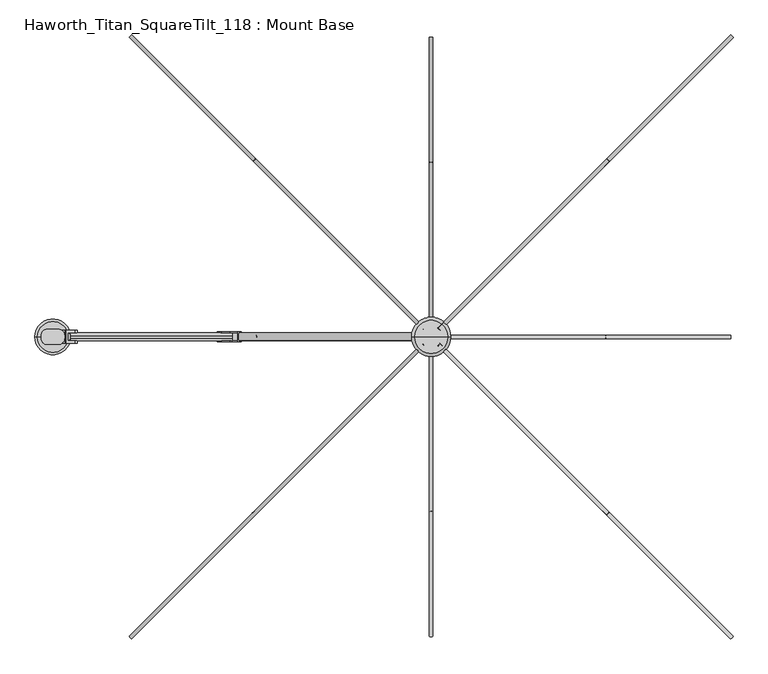
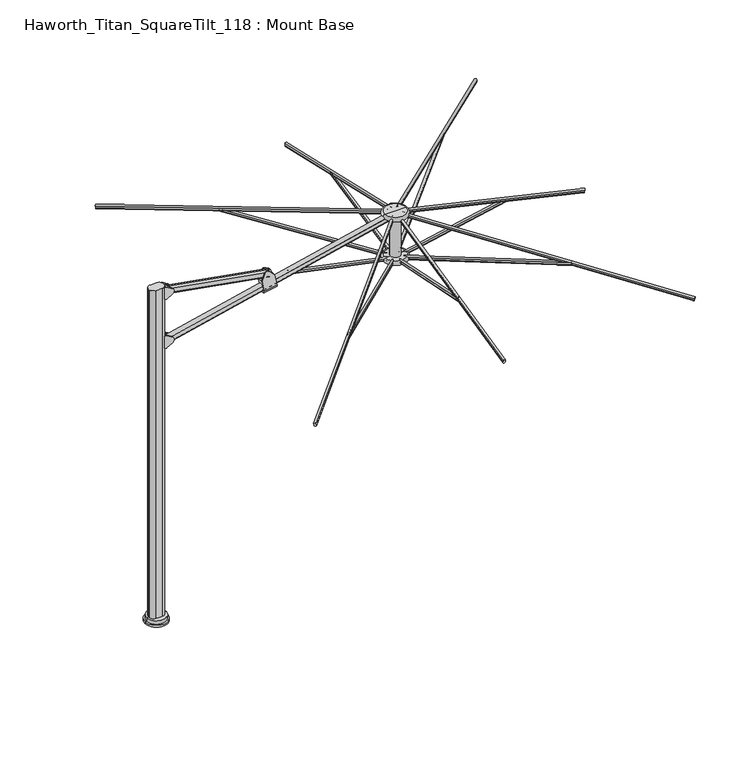
"""IFC4 building model written with IfcOpenShell, lengths in millimetres: furniture geometry, Haworth_Titan_SquareTilt_118 : Mount Base."""

from ifc_helpers import new_model, si_unit, point, frame, frame_2d, origin, place, context, project, spatial, polyline, circle_curve, ellipse_curve, trimmed, segment, composite_curve, outline, extrude, source, transform, mapped, element, save
from ifc_brep_helpers import plane_surface, cylinder_surface, revolved_surface, advanced_brep


def haworth_titan_squaretilt_118_mount_base_3c670f91(model_context):
    return source(origin(), model_context, "Body", "SolidModel", [
        extrude(outline(composite_curve([segment(polyline([(-1446.5300194, -42.1299408), (-1499.8699806, -42.1299408)]), True, "CONTINUOUS"), segment(trimmed(circle_curve(frame_2d((-1499.8699806, -10.3799408)), 31.75), [point((-1499.8699806, -42.1299408))], [point((-1531.6199806, -10.3799408))], False, "CARTESIAN"), True, "CONTINUOUS"), segment(polyline([(-1531.6199806, -10.3799408), (-1531.6199806, 2.3200592)]), True, "CONTINUOUS"), segment(trimmed(circle_curve(frame_2d((-1499.8699806, 2.3200592)), 31.75), [point((-1531.6199806, 2.3200592))], [point((-1499.8699806, 34.0700592))], False, "CARTESIAN"), True, "CONTINUOUS"), segment(polyline([(-1499.8699806, 34.0700592), (-1446.5300194, 34.0700592)]), True, "CONTINUOUS"), segment(trimmed(circle_curve(frame_2d((-1446.5300194, 2.3200592)), 31.75), [point((-1446.5300194, 34.0700592))], [point((-1414.7800194, 2.3200592))], False, "CARTESIAN"), True, "CONTINUOUS"), segment(polyline([(-1414.7800194, 2.3200592), (-1414.7800194, -10.3799408)]), True, "CONTINUOUS"), segment(trimmed(circle_curve(frame_2d((-1446.5300194, -10.3799408)), 31.75), [point((-1414.7800194, -10.3799408))], [point((-1446.5300194, -42.1299408))], False, "CARTESIAN"), True, "CONTINUOUS")], self_intersect=False)), frame((0.0, 0.0, 25.4), z_axis=(0.0, 0.0, 1.0), x_axis=(1.0, 0.0, 0.0)), (0.0, 0.0, 1.0), 2743.2),
        advanced_brep(
        [(-1562.1, -4.0299408, 15.8750008), (-1384.3, -4.0299408, 15.8750008), (-1384.3, -4.0299408, 0.0), (-1562.1, -4.0299408, 0.0), (-1549.4, -4.0299408, 15.8750008), (-1397.0, -4.0299408, 15.8750008), (-1549.4, -4.0299408, 43.8150008), (-1397.0, -4.0299408, 43.8150008), (-1473.2, -4.0299408, 43.8150008), (-1473.2, -4.0299408, 0.0)],
        [
            (0, 1, circle_curve(frame((-1473.2, -4.0299408, 15.8750008), z_axis=(0.0, 0.0, -1.0), x_axis=(1.0, 0.0, 0.0)), 88.9)),
            (1, 2),
            (2, 3, circle_curve(frame((-1473.2, -4.0299408, 0.0), z_axis=(0.0, 0.0, 1.0), x_axis=(1.0, 0.0, 0.0)), 88.9)),
            (3, 0),
            (1, 0, circle_curve(frame((-1473.2, -4.0299408, 15.8750008), z_axis=(0.0, 0.0, -1.0), x_axis=(1.0, 0.0, 0.0)), 88.9)),
            (3, 2, circle_curve(frame((-1473.2, -4.0299408, 0.0), z_axis=(0.0, 0.0, 1.0), x_axis=(1.0, 0.0, 0.0)), 88.9)),
            (4, 5, circle_curve(frame((-1473.2, -4.0299408, 15.8750008), z_axis=(0.0, 0.0, -1.0), x_axis=(1.0, 0.0, 0.0)), 76.2)),
            (5, 1),
            (0, 4),
            (5, 4, circle_curve(frame((-1473.2, -4.0299408, 15.8750008), z_axis=(0.0, 0.0, -1.0), x_axis=(1.0, 0.0, 0.0)), 76.2)),
            (6, 7, circle_curve(frame((-1473.2, -4.0299408, 43.8150008), z_axis=(0.0, 0.0, -1.0), x_axis=(1.0, 0.0, 0.0)), 76.2)),
            (7, 5),
            (4, 6),
            (7, 6, circle_curve(frame((-1473.2, -4.0299408, 43.8150008), z_axis=(0.0, 0.0, -1.0), x_axis=(1.0, 0.0, 0.0)), 76.2)),
            (8, 7),
            (6, 8),
            (2, 9),
            (9, 3),
        ],
        [
            cylinder_surface(frame((-1473.2, -4.0299408, 161.9250008), z_axis=(0.0, 0.0, 1.0), x_axis=(1.0, 0.0, 0.0)), 88.9),
            plane_surface(frame((-1473.2, -4.0299408, 15.8750008), z_axis=(0.0, 0.0, 1.0), x_axis=(1.0, 0.0, 0.0))),
            cylinder_surface(frame((-1473.2, -4.0299408, 161.9250008), z_axis=(0.0, 0.0, 1.0), x_axis=(1.0, 0.0, 0.0)), 76.2),
            plane_surface(frame((-1473.2, -4.0299408, 43.8150008), z_axis=(0.0, 0.0, 1.0), x_axis=(1.0, 0.0, 0.0))),
            plane_surface(frame((-1473.2, -4.0299408, 0.0), z_axis=(0.0, 0.0, -1.0), x_axis=(1.0, 0.0, 0.0))),
        ],
        [
            (0, [[1, 2, 3, 4]]),
            (0, [[5, -4, 6, -2]]),
            (1, [[7, 8, -1, 9]]),
            (1, [[10, -9, -5, -8]]),
            (2, [[11, 12, -7, 13]]),
            (2, [[14, -13, -10, -12]]),
            (3, [[15, -11, 16]]),
            (3, [[-16, -14, -15]]),
            (4, [[-3, 17, 18]]),
            (4, [[-6, -18, -17]]),
        ],
    ),
        advanced_brep(
        [(-638.8317232, -28.8584398, 2452.539431), (-539.2550393, -28.8584398, 2472.7210111), (-557.1147391, -28.8584398, 2562.8261396), (-594.9132103, -28.8584398, 2602.8681925), (-637.1082851, -28.8584398, 2594.5048149), (-656.7758688, -28.8584398, 2543.0725626), (-556.9273215, -23.0799408, 2561.8805867), (-656.5036375, -23.0799408, 2541.6990811), (-656.7758688, -23.0799408, 2543.0725626), (-637.1082851, -23.0799408, 2594.5048149), (-594.9132103, -23.0799408, 2602.8681925), (-557.1147391, -23.0799408, 2562.8261396), (-556.9273215, 15.0200592, 2561.8805867), (-656.5036375, 15.0200592, 2541.6990811), (-557.1147391, 15.0200592, 2562.8261396), (-594.9132103, 15.0200592, 2602.8681925), (-637.1082851, 15.0200592, 2594.5048149), (-656.7758688, 15.0200592, 2543.0725626), (-539.2550393, 20.7985582, 2472.7210111), (-638.8317232, 20.7985582, 2452.539431), (-656.7758688, 20.7985582, 2543.0725626), (-637.1082851, 20.7985582, 2594.5048149), (-594.9132103, 20.7985582, 2602.8681925), (-557.1147391, 20.7985582, 2562.8261396)],
        [
            (0, 1),
            (1, 2),
            (2, 3),
            (3, 4, circle_curve(frame((-613.3837241, -28.8584398, 2585.4325933), z_axis=(0.0, -1.0, 0.0), x_axis=(1.0, 0.0, 0.0)), 25.4)),
            (4, 5),
            (5, 0),
            (6, 7),
            (7, 8),
            (8, 9),
            (9, 10, circle_curve(frame((-613.3837241, -23.0799408, 2585.4325933), z_axis=(0.0, 1.0, 0.0), x_axis=(1.0, 0.0, 0.0)), 25.4)),
            (10, 11),
            (11, 6),
            (6, 12),
            (12, 13),
            (13, 7),
            (12, 14),
            (14, 15),
            (15, 16, circle_curve(frame((-613.3837241, 15.0200592, 2585.4325933), z_axis=(0.0, -1.0, 0.0), x_axis=(1.0, 0.0, 0.0)), 25.4)),
            (16, 17),
            (17, 13),
            (18, 19),
            (19, 20),
            (20, 21),
            (21, 22, circle_curve(frame((-613.3837241, 20.7985582, 2585.4325933), z_axis=(0.0, 1.0, 0.0), x_axis=(1.0, 0.0, 0.0)), 25.4)),
            (22, 23),
            (23, 18),
            (8, 5),
            (4, 9),
            (20, 17),
            (16, 21),
            (3, 10),
            (15, 22),
            (2, 11),
            (14, 23),
            (1, 18, ellipse_curve(frame((-539.2550393, -4.0299408, 2472.7210111), z_axis=(0.9809169623175261, 0.0, 0.19442714069223216), x_axis=(0.19442714069222775, -2.2532502934053907e-12, -0.980916962317527)), 24.8287277, 24.828499)),
            (19, 0, ellipse_curve(frame((-638.8317232, -4.0299408, 2452.539431), z_axis=(-0.9809177651054216, 0.0, -0.19442309045117312), x_axis=(0.1944230904512047, -2.251037628429089e-12, -0.9809177651054153)), 24.8287281, 24.828499)),
        ],
        [
            plane_surface(frame((-656.823572, -28.8584398, 2448.8929555), z_axis=(0.0, -1.0000000000000002, 0.0), x_axis=(0.9800735011186607, 0.0, 0.19863517413844614))),
            plane_surface(frame((-688.7528402, -23.0799408, 2606.4331791), z_axis=(0.0, 1.0000000000000002, 0.0), x_axis=(0.9800735011186607, 0.0, 0.19863517413844614))),
            plane_surface(frame((-674.8781733, -23.0799408, 2537.975045), z_axis=(-0.19863517413844614, 0.0, 0.9800735011186607), x_axis=(0.9800735011186607, 0.0, 0.19863517413844614))),
            plane_surface(frame((-674.8781733, 15.0200592, 2537.975045), z_axis=(0.0, -1.0000000000000002, 0.0), x_axis=(0.9800735011186607, 0.0, 0.19863517413844614))),
            plane_surface(frame((-688.8424073, 20.7985582, 2606.8751066), z_axis=(0.0, 1.0000000000000002, 0.0), x_axis=(0.9800735011186607, 0.0, 0.19863517413844614))),
            plane_surface(frame((-656.7758688, -42.1299408, 2543.0725626), z_axis=(-0.934037835454624, 0.0, 0.35717407792173367), x_axis=(0.0, 1.0, 0.0))),
            cylinder_surface(frame((-613.3837241, 34.0700592, 2585.4325933), z_axis=(0.0, 1.0, 0.0), x_axis=(1.0, 0.0, 0.0)), 25.4),
            plane_surface(frame((-594.9132103, -42.1299408, 2602.8681925), z_axis=(0.7271855840513565, 0.0, 0.6864409124956697), x_axis=(0.0, 1.0, 0.0))),
            plane_surface(frame((-557.1147391, -42.1299408, 2562.8261396), z_axis=(0.9809169623175261, 0.0, 0.19442714069223216), x_axis=(0.0, 1.0, 0.0))),
            plane_surface(frame((-615.4340122, -42.1299408, 2334.4915679), z_axis=(-0.9809177651054216, 0.0, -0.19442309045117312), x_axis=(0.0, 1.0, 0.0))),
            cylinder_surface(frame((-523.693599, -4.0299408, 2475.8749066), z_axis=(-0.9800735011186607, 0.0, -0.19863517413844567), x_axis=(0.19863517413844567, 0.0, -0.9800735011186607)), 24.828499),
        ],
        [
            (0, [[1, 2, 3, 4, 5, 6]]),
            (1, [[7, 8, 9, 10, 11, 12]]),
            (2, [[-7, 13, 14, 15]]),
            (3, [[-14, 16, 17, 18, 19, 20]]),
            (4, [[21, 22, 23, 24, 25, 26]]),
            (5, [[27, -5, 28, -9]]),
            (5, [[29, -19, 30, -23]]),
            (6, [[-28, -4, 31, -10]]),
            (6, [[-30, -18, 32, -24]]),
            (7, [[-31, -3, 33, -11]]),
            (7, [[-32, -17, 34, -25]]),
            (8, [[-33, -2, 35, -26, -34, -16, -13, -12]]),
            (9, [[-27, -8, -15, -20, -29, -22, 36, -6]]),
            (10, [[-1, -36, -21, -35]]),
        ],
    ),
        advanced_brep(
        [(-1398.5468048, -23.0799408, 2670.4960641), (-1398.5468048, -23.0799408, 2756.7219863), (-1365.0592091, -23.0799408, 2735.6843884), (-1365.0592091, -23.0799408, 2691.533662), (-1398.5468048, 15.0200592, 2670.4960641), (-1398.5468048, 15.0200592, 2756.7219863), (-1365.0592091, 15.0200592, 2691.533662), (-1365.0592091, 15.0200592, 2735.6843884), (-1412.4977231, 28.7360598, 2764.4089767), (-1409.330907, 28.7360598, 2763.4967816), (-1365.0592091, 28.7360598, 2735.6843884), (-1365.0592091, 28.7360598, 2691.533662), (-1409.330907, 28.7360598, 2663.7212688), (-1412.4977231, 28.7360598, 2662.8090736), (-1428.8306637, 28.7360598, 2662.8090736), (-1428.8306637, 28.7360598, 2764.4089767), (-1428.8306637, 28.0356115, 2662.8090736), (-1428.8306637, -36.0954368, 2662.8090736), (-1428.8306637, -36.0954368, 2764.4089767), (-1428.8306637, 28.0356115, 2764.4089767), (-1409.330907, -36.7959413, 2763.4967816), (-1412.4977231, -36.7959413, 2764.4089767), (-1428.8306637, -36.7959413, 2764.4089767), (-1428.8306637, -36.7959413, 2662.8090736), (-1412.4977231, -36.7959413, 2662.8090736), (-1409.330907, -36.7959413, 2663.7212688), (-1365.0592091, -36.7959413, 2691.533662), (-1365.0592091, -36.7959413, 2735.6843884)],
        [
            (0, 1),
            (1, 2),
            (2, 3, circle_curve(frame((-1378.9274073, -23.0799408, 2713.6090252), z_axis=(0.0, 1.0, 0.0), x_axis=(1.0, 0.0, 0.0)), 26.0700706)),
            (3, 0),
            (0, 4),
            (4, 5),
            (5, 1),
            (4, 6),
            (6, 7, circle_curve(frame((-1378.9274073, 15.0200592, 2713.6090252), z_axis=(0.0, -1.0, 0.0), x_axis=(1.0, 0.0, 0.0)), 26.0700706)),
            (7, 5),
            (8, 9, circle_curve(frame((-1412.4977231, 28.7360598, 2758.4558517), z_axis=(0.0, 1.0, 0.0), x_axis=(1.0, 0.0, 0.0)), 5.953125)),
            (9, 10),
            (10, 11, circle_curve(frame((-1378.9274073, 28.7360598, 2713.6090252), z_axis=(0.0, 1.0, 0.0), x_axis=(1.0, 0.0, 0.0)), 26.0700706)),
            (11, 12),
            (12, 13, circle_curve(frame((-1412.4977231, 28.7360598, 2668.7621986), z_axis=(0.0, 1.0, 0.0), x_axis=(1.0, 0.0, 0.0)), 5.953125)),
            (13, 14),
            (14, 15),
            (15, 8),
            (16, 17, circle_curve(frame((-1456.6790796, -4.0299127, 2662.8090736), z_axis=(0.0, 0.0, -1.0), x_axis=(1.0, 0.0, 0.0)), 42.4703674)),
            (17, 18),
            (18, 19, circle_curve(frame((-1456.6790796, -4.0299127, 2764.4089767), z_axis=(0.0, 0.0, 1.0), x_axis=(1.0, 0.0, 0.0)), 42.4703674)),
            (19, 16),
            (20, 21, circle_curve(frame((-1412.4977231, -36.7959413, 2758.4558517), z_axis=(0.0, -1.0, 0.0), x_axis=(1.0, 0.0, 0.0)), 5.953125)),
            (21, 22),
            (22, 23),
            (23, 24),
            (24, 25, circle_curve(frame((-1412.4977231, -36.7959413, 2668.7621986), z_axis=(0.0, -1.0, 0.0), x_axis=(1.0, 0.0, 0.0)), 5.953125)),
            (25, 26),
            (26, 27, circle_curve(frame((-1378.9274073, -36.7959413, 2713.6090252), z_axis=(0.0, -1.0, 0.0), x_axis=(1.0, 0.0, 0.0)), 26.0700706)),
            (27, 20),
            (8, 21),
            (20, 9),
            (27, 2),
            (7, 10),
            (26, 3),
            (6, 11),
            (25, 12),
            (24, 13),
            (23, 17),
            (16, 14),
            (22, 18),
            (19, 15),
        ],
        [
            plane_surface(frame((-1352.2714317, -23.0799408, 2768.6), z_axis=(0.0, 1.0, 0.0), x_axis=(0.0, 0.0, -1.0))),
            plane_surface(frame((-1398.5468048, -23.0799408, 2768.6), z_axis=(1.0, 0.0, 0.0), x_axis=(0.0, 0.0, -1.0))),
            plane_surface(frame((-1398.5468048, 15.0200592, 2768.6), z_axis=(0.0, -1.0, 0.0), x_axis=(0.0, 0.0, -1.0))),
            plane_surface(frame((-1352.2714317, 28.7360598, 2768.6), z_axis=(0.0, 1.0, 0.0), x_axis=(0.0, 0.0, -1.0))),
            revolved_surface(polyline([(-1414.2087122, -4.0299127, 2662.8090736), (-1414.2087122, -4.0299127, 2764.4089767)]), (-1456.6790796, -4.0299127, 2235.2), (0.0, 0.0, -1.0)),
            plane_surface(frame((-1429.6583566, -36.7959413, 2768.6), z_axis=(0.0, -1.0, 0.0), x_axis=(0.0, 0.0, -1.0))),
            cylinder_surface(frame((-1412.4977231, 72.1700592, 2758.4558517), z_axis=(0.0, 1.0, 0.0), x_axis=(1.0, 0.0, 0.0)), 5.953125),
            plane_surface(frame((-1409.330907, -80.2299408, 2763.4967816), z_axis=(0.5319585969039498, 0.0, 0.8467703650813372), x_axis=(0.0, 1.0, 0.0))),
            cylinder_surface(frame((-1378.9274073, 72.1700592, 2713.6090252), z_axis=(0.0, 1.0, 0.0), x_axis=(1.0, 0.0, 0.0)), 26.0700706),
            plane_surface(frame((-1365.0592091, -80.2299408, 2691.533662), z_axis=(0.5319585969039639, 0.0, -0.8467703650813284), x_axis=(0.0, 1.0, 0.0))),
            cylinder_surface(frame((-1412.4977231, 72.1700592, 2668.7621986), z_axis=(0.0, 1.0, 0.0), x_axis=(1.0, 0.0, 0.0)), 5.953125),
            plane_surface(frame((-1412.4977231, -80.2299408, 2662.8090736), z_axis=(0.0, 0.0, -1.0), x_axis=(0.0, 1.0, 0.0))),
            plane_surface(frame((-1428.8306637, -80.2299408, 2662.8090736), z_axis=(-1.0, 0.0, 0.0), x_axis=(0.0, 1.0, 0.0))),
            plane_surface(frame((-1428.8306637, -80.2299408, 2764.4089767), z_axis=(0.0, 0.0, 1.0), x_axis=(0.0, 1.0, 0.0))),
        ],
        [
            (0, [[1, 2, 3, 4]]),
            (1, [[-1, 5, 6, 7]]),
            (2, [[-6, 8, 9, 10]]),
            (3, [[11, 12, 13, 14, 15, 16, 17, 18]]),
            (4, [[19, 20, 21, 22]]),
            (5, [[23, 24, 25, 26, 27, 28, 29, 30]]),
            (6, [[31, -23, 32, -11]]),
            (7, [[-32, -30, 33, -2, -7, -10, 34, -12]]),
            (8, [[-33, -29, 35, -3]]),
            (8, [[-34, -9, 36, -13]]),
            (9, [[-36, -8, -5, -4, -35, -28, 37, -14]]),
            (10, [[-37, -27, 38, -15]]),
            (11, [[-38, -26, 39, -19, 40, -16]]),
            (12, [[-39, -25, 41, -20]]),
            (12, [[-40, -22, 42, -17]]),
            (13, [[-31, -18, -42, -21, -41, -24]]),
        ],
    ),
        advanced_brep(
        [(-1398.5468048, -23.0799408, 2265.4099374), (-1398.5468048, -23.0799408, 2351.6358596), (-1364.8153055, -23.0799408, 2330.4450365), (-1364.8153055, -23.0799408, 2286.6007605), (-1398.5468048, 15.0200592, 2265.4099374), (-1398.5468048, 15.0200592, 2351.6358596), (-1364.8153055, 15.0200592, 2286.6007605), (-1364.8153055, 15.0200592, 2330.4450365), (-1412.4977231, 28.7360598, 2359.32285), (-1409.330907, 28.7360598, 2358.4106549), (-1364.8153055, 28.7360598, 2330.4450365), (-1364.8153055, 28.7360598, 2286.6007605), (-1409.330907, 28.7360598, 2258.6351421), (-1412.4977231, 28.7360598, 2257.7229469), (-1428.4344669, 28.7360598, 2257.7229469), (-1428.4344669, 28.7360598, 2359.32285), (-1428.4344669, 27.6871799, 2257.7229469), (-1428.4344669, -35.7470053, 2257.7229469), (-1428.4344669, -35.7470053, 2359.32285), (-1428.4344669, 27.6871799, 2359.32285), (-1409.330907, -36.7959413, 2358.4106549), (-1412.4977231, -36.7959413, 2359.32285), (-1428.4344669, -36.7959413, 2359.32285), (-1428.4344669, -36.7959413, 2257.7229469), (-1412.4977231, -36.7959413, 2257.7229469), (-1409.330907, -36.7959413, 2258.6351421), (-1364.8153055, -36.7959413, 2286.6007605), (-1364.8153055, -36.7959413, 2330.4450365)],
        [
            (0, 1),
            (1, 2),
            (2, 3, circle_curve(frame((-1378.5872445, -23.0799408, 2308.5228985), z_axis=(0.0, 1.0, 0.0), x_axis=(1.0, 0.0, 0.0)), 25.8891181)),
            (3, 0),
            (0, 4),
            (4, 5),
            (5, 1),
            (4, 6),
            (6, 7, circle_curve(frame((-1378.5872445, 15.0200592, 2308.5228985), z_axis=(0.0, -1.0, 0.0), x_axis=(1.0, 0.0, 0.0)), 25.8891181)),
            (7, 5),
            (8, 9, circle_curve(frame((-1412.4977231, 28.7360598, 2353.369725), z_axis=(0.0, 1.0, 0.0), x_axis=(1.0, 0.0, 0.0)), 5.953125)),
            (9, 10),
            (10, 11, circle_curve(frame((-1378.5872445, 28.7360598, 2308.5228985), z_axis=(0.0, 1.0, 0.0), x_axis=(1.0, 0.0, 0.0)), 25.8891181)),
            (11, 12),
            (12, 13, circle_curve(frame((-1412.4977231, 28.7360598, 2263.6760719), z_axis=(0.0, 1.0, 0.0), x_axis=(1.0, 0.0, 0.0)), 5.953125)),
            (13, 14),
            (14, 15),
            (15, 8),
            (16, 17, circle_curve(frame((-1456.6790796, -4.0299127, 2257.7229469), z_axis=(0.0, 0.0, -1.0), x_axis=(1.0, 0.0, 0.0)), 42.4703674)),
            (17, 18),
            (18, 19, circle_curve(frame((-1456.6790796, -4.0299127, 2359.32285), z_axis=(0.0, 0.0, 1.0), x_axis=(1.0, 0.0, 0.0)), 42.4703674)),
            (19, 16),
            (20, 21, circle_curve(frame((-1412.4977231, -36.7959413, 2353.369725), z_axis=(0.0, -1.0, 0.0), x_axis=(1.0, 0.0, 0.0)), 5.953125)),
            (21, 22),
            (22, 23),
            (23, 24),
            (24, 25, circle_curve(frame((-1412.4977231, -36.7959413, 2263.6760719), z_axis=(0.0, -1.0, 0.0), x_axis=(1.0, 0.0, 0.0)), 5.953125)),
            (25, 26),
            (26, 27, circle_curve(frame((-1378.5872445, -36.7959413, 2308.5228985), z_axis=(0.0, -1.0, 0.0), x_axis=(1.0, 0.0, 0.0)), 25.8891181)),
            (27, 20),
            (8, 21),
            (20, 9),
            (27, 2),
            (7, 10),
            (26, 3),
            (6, 11),
            (25, 12),
            (24, 13),
            (23, 17),
            (16, 14),
            (22, 18),
            (19, 15),
        ],
        [
            plane_surface(frame((-1352.2714317, -23.0799408, 2768.6), z_axis=(0.0, 1.0, 0.0), x_axis=(0.0, 0.0, -1.0))),
            plane_surface(frame((-1398.5468048, -23.0799408, 2768.6), z_axis=(1.0, 0.0, 0.0), x_axis=(0.0, 0.0, -1.0))),
            plane_surface(frame((-1398.5468048, 15.0200592, 2768.6), z_axis=(0.0, -1.0, 0.0), x_axis=(0.0, 0.0, -1.0))),
            plane_surface(frame((-1352.2714317, 28.7360598, 2768.6), z_axis=(0.0, 1.0, 0.0), x_axis=(0.0, 0.0, -1.0))),
            revolved_surface(polyline([(-1414.2087122, -4.0299127, 2257.7229469), (-1414.2087122, -4.0299127, 2359.32285)]), (-1456.6790796, -4.0299127, 2235.2), (0.0, 0.0, -1.0)),
            plane_surface(frame((-1429.6583566, -36.7959413, 2768.6), z_axis=(0.0, -1.0, 0.0), x_axis=(0.0, 0.0, -1.0))),
            cylinder_surface(frame((-1412.4977231, -4.0299408, 2353.369725), z_axis=(0.0, 1.0, 0.0), x_axis=(1.0, 0.0, 0.0)), 5.953125),
            plane_surface(frame((-1409.330907, -80.2299408, 2358.4106549), z_axis=(0.5319585969039494, 0.0, 0.8467703650813374), x_axis=(0.0, 1.0, 0.0))),
            cylinder_surface(frame((-1378.5872445, -4.0299408, 2308.5228985), z_axis=(0.0, 1.0, 0.0), x_axis=(1.0, 0.0, 0.0)), 25.8891181),
            plane_surface(frame((-1364.8153055, -80.2299408, 2286.6007605), z_axis=(0.5319585969039472, 0.0, -0.8467703650813388), x_axis=(0.0, 1.0, 0.0))),
            cylinder_surface(frame((-1412.4977231, -4.0299408, 2263.6760719), z_axis=(0.0, 1.0, 0.0), x_axis=(1.0, 0.0, 0.0)), 5.953125),
            plane_surface(frame((-1412.4977231, -80.2299408, 2257.7229469), z_axis=(0.0, 0.0, -1.0), x_axis=(0.0, 1.0, 0.0))),
            plane_surface(frame((-1428.4344669, -80.2299408, 2257.7229469), z_axis=(-1.0, 0.0, 0.0), x_axis=(0.0, 1.0, 0.0))),
            plane_surface(frame((-1428.4344669, -80.2299408, 2359.32285), z_axis=(0.0, 0.0, 1.0), x_axis=(0.0, 1.0, 0.0))),
        ],
        [
            (0, [[1, 2, 3, 4]]),
            (1, [[-1, 5, 6, 7]]),
            (2, [[-6, 8, 9, 10]]),
            (3, [[11, 12, 13, 14, 15, 16, 17, 18]]),
            (4, [[19, 20, 21, 22]]),
            (5, [[23, 24, 25, 26, 27, 28, 29, 30]]),
            (6, [[31, -23, 32, -11]]),
            (7, [[-32, -30, 33, -2, -7, -10, 34, -12]]),
            (8, [[-33, -29, 35, -3]]),
            (8, [[-34, -9, 36, -13]]),
            (9, [[-36, -8, -5, -4, -35, -28, 37, -14]]),
            (10, [[-37, -27, 38, -15]]),
            (11, [[-38, -26, 39, -19, 40, -16]]),
            (12, [[-39, -25, 41, -20]]),
            (12, [[-40, -22, 42, -17]]),
            (13, [[-31, -18, -42, -21, -41, -24]]),
        ],
    ),
        extrude(outline(composite_curve([segment(trimmed(circle_curve(frame_2d((6.35, 12.6998842)), 12.7), [point((19.05, 12.6998842))], [point((6.35, -0.0001159))], False, "CARTESIAN"), True, "CONTINUOUS"), segment(polyline([(6.35, -0.0001159), (-6.35, -0.0001159)]), True, "CONTINUOUS"), segment(trimmed(circle_curve(frame_2d((-6.35, 12.6998842)), 12.7), [point((-6.35, -0.0001159))], [point((-19.05, 12.6998842))], False, "CARTESIAN"), True, "CONTINUOUS"), segment(polyline([(-19.05, 12.6998842), (-19.05, 45.719986)]), True, "CONTINUOUS"), segment(trimmed(circle_curve(frame_2d((-6.35, 45.719986)), 12.7), [point((-19.05, 45.719986))], [point((-6.35, 58.419986))], False, "CARTESIAN"), True, "CONTINUOUS"), segment(polyline([(-6.35, 58.419986), (6.35, 58.419986)]), True, "CONTINUOUS"), segment(trimmed(circle_curve(frame_2d((6.35, 45.719986)), 12.7), [point((6.35, 58.419986))], [point((19.05, 45.719986))], False, "CARTESIAN"), True, "CONTINUOUS"), segment(polyline([(19.05, 45.719986), (19.05, 12.6998842)]), True, "CONTINUOUS")], self_intersect=False)), frame((-590.7331768, -4.0299408, 2546.711412), z_axis=(-0.9848937860603193, 0.0, 0.17315955122305554), x_axis=(0.0, -1.0, 0.0)), (0.0, 0.0, 1.0), 819.15),
        advanced_brep(
        [(324.3580228, -4.0299408, 2349.5), (488.4419772, -4.0299408, 2349.5), (406.4, -4.0299408, 2349.5), (406.4, -4.0299408, 2381.25), (488.4419772, -4.0299408, 2381.25), (324.3580228, -4.0299408, 2381.25)],
        [
            (0, 1, circle_curve(frame((406.4, -4.0299408, 2349.5), z_axis=(0.0, 0.0, -1.0), x_axis=(1.0, 0.0, 0.0)), 82.0419772)),
            (1, 2),
            (2, 0),
            (1, 0, circle_curve(frame((406.4, -4.0299408, 2349.5), z_axis=(0.0, 0.0, -1.0), x_axis=(1.0, 0.0, 0.0)), 82.0419772)),
            (3, 4),
            (4, 5, circle_curve(frame((406.4, -4.0299408, 2381.25), z_axis=(0.0, 0.0, 1.0), x_axis=(1.0, 0.0, 0.0)), 82.0419772)),
            (5, 3),
            (5, 4, circle_curve(frame((406.4, -4.0299408, 2381.25), z_axis=(0.0, 0.0, 1.0), x_axis=(1.0, 0.0, 0.0)), 82.0419772)),
            (4, 1, circle_curve(frame((488.4419772, -4.0299408, 2365.375), z_axis=(0.0, 1.0, 0.0), x_axis=(1.0, 0.0, 0.0)), 15.875)),
            (0, 5, circle_curve(frame((324.3580228, -4.0299408, 2365.375), z_axis=(0.0, 1.0, 0.0), x_axis=(-1.0, 0.0, 0.0)), 15.875)),
        ],
        [
            plane_surface(frame((406.4, -4.0299408, 2349.5), z_axis=(0.0, 0.0, -1.0), x_axis=(1.0, 0.0, 0.0))),
            plane_surface(frame((406.4, -4.0299408, 2381.25), z_axis=(0.0, 0.0, 1.0), x_axis=(1.0, 0.0, 0.0))),
            revolved_surface(trimmed(ellipse_curve(frame((488.4419772, -4.0299408, 2365.375), z_axis=(0.0, -1.0, 0.0), x_axis=(1.0, 0.0, 0.0)), 15.875, 15.875), [point((488.4419772, -4.0299408, 2349.5))], [point((488.4419772, -4.0299408, 2381.25))], True, "CARTESIAN"), (406.4, -4.0299408, 2605.8874532), (0.0, 0.0, 1.0)),
        ],
        [
            (0, [[1, 2, 3]]),
            (0, [[4, -3, -2]]),
            (1, [[5, 6, 7]]),
            (1, [[-7, 8, -5]]),
            (2, [[-6, 9, -1, 10]]),
            (2, [[-8, -10, -4, -9]]),
        ],
    ),
        extrude(outline(composite_curve([segment(polyline([(12.9834408, -8.4804821), (12.9834408, -22.8946348)]), True, "CONTINUOUS"), segment(trimmed(circle_curve(frame_2d((4.0299408, -22.8946348)), 8.9535), [point((12.9834408, -22.8946348))], [point((-4.9235592, -22.8946348))], False, "CARTESIAN"), True, "CONTINUOUS"), segment(polyline([(-4.9235592, -22.8946348), (-4.9235592, -8.4804821)]), True, "CONTINUOUS"), segment(trimmed(circle_curve(frame_2d((4.0299408, -8.4804821)), 8.9535), [point((-4.9235592, -8.4804821))], [point((12.9834408, -8.4804821))], False, "CARTESIAN"), True, "CONTINUOUS")], self_intersect=False)), frame((410.4299408, -74.166692, 2351.0470755), z_axis=(0.0, -0.9792063685546624, 0.20286667489262716), x_axis=(-1.0, 0.0, 0.0)), (0.0, 0.0, 1.0), 820.9250167),
        extrude(outline(composite_curve([segment(polyline([(12.9834408, -8.4804821), (12.9834408, -22.8946348)]), True, "CONTINUOUS"), segment(trimmed(circle_curve(frame_2d((4.0299408, -22.8946348)), 8.9535), [point((12.9834408, -22.8946348))], [point((-4.9235592, -22.8946348))], False, "CARTESIAN"), True, "CONTINUOUS"), segment(polyline([(-4.9235592, -22.8946348), (-4.9235592, -8.4804821)]), True, "CONTINUOUS"), segment(trimmed(circle_curve(frame_2d((4.0299408, -8.4804821)), 8.9535), [point((-4.9235592, -8.4804821))], [point((12.9834408, -8.4804821))], False, "CARTESIAN"), True, "CONTINUOUS")], self_intersect=False)), frame((336.2632487, -8.0598816, 2351.0470755), z_axis=(-0.9792063685546624, 0.0, 0.20286667489262716), x_axis=(0.0, 1.0, 0.0)), (0.0, 0.0, 1.0), 820.9250167),
        extrude(outline(composite_curve([segment(polyline([(12.9834408, -8.4804821), (12.9834408, -22.8946348)]), True, "CONTINUOUS"), segment(trimmed(circle_curve(frame_2d((4.0299408, -22.8946348)), 8.9535), [point((12.9834408, -22.8946348))], [point((-4.9235592, -22.8946348))], False, "CARTESIAN"), True, "CONTINUOUS"), segment(polyline([(-4.9235592, -22.8946348), (-4.9235592, -8.4804821)]), True, "CONTINUOUS"), segment(trimmed(circle_curve(frame_2d((4.0299408, -8.4804821)), 8.9535), [point((-4.9235592, -8.4804821))], [point((12.9834408, -8.4804821))], False, "CARTESIAN"), True, "CONTINUOUS")], self_intersect=False)), frame((402.3700592, 66.1068105, 2351.0470755), z_axis=(0.0, 0.9792063685546624, 0.20286667489262716), x_axis=(1.0, 0.0, 0.0)), (0.0, 0.0, 1.0), 820.9250167),
        extrude(outline(composite_curve([segment(trimmed(circle_curve(frame_2d((4.0299408, 7.3267917)), 8.9535), [point((12.9834408, 7.3267917))], [point((-4.9235592, 7.3267917))], False, "CARTESIAN"), True, "CONTINUOUS"), segment(polyline([(-4.9235592, 7.3267917), (-4.9235592, 21.7411303)]), True, "CONTINUOUS"), segment(trimmed(circle_curve(frame_2d((4.0299408, 21.7411303)), 8.9535), [point((-4.9235592, 21.7411303))], [point((12.9834408, 21.7411303))], False, "CARTESIAN"), True, "CONTINUOUS"), segment(polyline([(12.9834408, 21.7411303), (12.9834408, 7.3267917)]), True, "CONTINUOUS")], self_intersect=False)), frame((410.4299408, -1486.3407703, 2377.5563301), z_axis=(0.0, 0.9744661240319158, 0.22453456997579438), x_axis=(-1.0, 0.0, 0.0)), (0.0, 0.0, 1.0), 1466.85),
        extrude(outline(composite_curve([segment(polyline([(-16.0360582, 6.8616994), (-16.0360582, 37.5785601)]), True, "CONTINUOUS"), segment(trimmed(circle_curve(frame_2d((-9.6860582, 37.5785601)), 6.35), [point((-16.0360582, 37.5785601))], [point((-15.6590238, 39.7340606))], False, "CARTESIAN"), True, "CONTINUOUS"), segment(trimmed(circle_curve(frame_2d((4.0299408, 32.6287842)), 20.9318007), [point((-15.6590238, 39.7340606))], [point((23.7189054, 39.7340606))], False, "CARTESIAN"), True, "CONTINUOUS"), segment(trimmed(circle_curve(frame_2d((17.7459398, 37.5785601)), 6.35), [point((23.7189054, 39.7340606))], [point((24.0959398, 37.5785601))], False, "CARTESIAN"), True, "CONTINUOUS"), segment(polyline([(24.0959398, 37.5785601), (24.0959398, 6.8616994)]), True, "CONTINUOUS"), segment(trimmed(circle_curve(frame_2d((17.7459398, 6.8616994)), 6.35), [point((24.0959398, 6.8616994))], [point((23.4899127, 4.1544359))], False, "CARTESIAN"), True, "CONTINUOUS"), segment(trimmed(circle_curve(frame_2d((4.0299408, 13.3263579)), 21.5131276), [point((23.4899127, 4.1544359))], [point((-15.4300311, 4.1544359))], False, "CARTESIAN"), True, "CONTINUOUS"), segment(trimmed(circle_curve(frame_2d((-9.6860582, 6.8616994)), 6.35), [point((-15.4300311, 4.1544359))], [point((-16.0360582, 6.8616994))], False, "CARTESIAN"), True, "CONTINUOUS")], self_intersect=False)), frame((-1387.3549734, -8.0598816, 2283.8502039), z_axis=(0.974270807987236, 0.0, 0.22538055085543296), x_axis=(0.0, 1.0, 0.0)), (0.0, 0.0, 1.0), 1794.0067537),
        extrude(outline(composite_curve([segment(trimmed(circle_curve(frame_2d((4.0299408, 7.3267917)), 8.9535), [point((12.9834408, 7.3267917))], [point((-4.9235592, 7.3267917))], False, "CARTESIAN"), True, "CONTINUOUS"), segment(polyline([(-4.9235592, 7.3267917), (-4.9235592, 21.7411303)]), True, "CONTINUOUS"), segment(trimmed(circle_curve(frame_2d((4.0299408, 21.7411303)), 8.9535), [point((-4.9235592, 21.7411303))], [point((12.9834408, 21.7411303))], False, "CARTESIAN"), True, "CONTINUOUS"), segment(polyline([(12.9834408, 21.7411303), (12.9834408, 7.3267917)]), True, "CONTINUOUS")], self_intersect=False)), frame((402.3700592, 1478.2808888, 2377.5563301), z_axis=(0.0, -0.9744661240319158, 0.22453456997579438), x_axis=(1.0, 0.0, 0.0)), (0.0, 0.0, 1.0), 1466.85),
        extrude(outline(composite_curve([segment(trimmed(circle_curve(frame_2d((4.0299408, 7.3267917)), 8.9535), [point((12.9834408, 7.3267917))], [point((-4.9235592, 7.3267917))], False, "CARTESIAN"), True, "CONTINUOUS"), segment(polyline([(-4.9235592, 7.3267917), (-4.9235592, 21.7411303)]), True, "CONTINUOUS"), segment(trimmed(circle_curve(frame_2d((4.0299408, 21.7411303)), 8.9535), [point((-4.9235592, 21.7411303))], [point((12.9834408, 21.7411303))], False, "CARTESIAN"), True, "CONTINUOUS"), segment(polyline([(12.9834408, 21.7411303), (12.9834408, 7.3267917)]), True, "CONTINUOUS")], self_intersect=False)), frame((1888.7108295, 0.0, 2377.5563301), z_axis=(-0.9744661240319158, 0.0, 0.22453456997579438), x_axis=(0.0, -1.0, 0.0)), (0.0, 0.0, 1.0), 1466.85),
        extrude(outline(composite_curve([segment(polyline([(12.9834408, -8.4804821), (12.9834408, -22.8946348)]), True, "CONTINUOUS"), segment(trimmed(circle_curve(frame_2d((4.0299408, -22.8946348)), 8.9535), [point((12.9834408, -22.8946348))], [point((-4.9235592, -22.8946348))], False, "CARTESIAN"), True, "CONTINUOUS"), segment(polyline([(-4.9235592, -22.8946348), (-4.9235592, -8.4804821)]), True, "CONTINUOUS"), segment(trimmed(circle_curve(frame_2d((4.0299408, -8.4804821)), 8.9535), [point((-4.9235592, -8.4804821))], [point((12.9834408, -8.4804821))], False, "CARTESIAN"), True, "CONTINUOUS")], self_intersect=False)), frame((476.5367513, 0.0, 2351.0470755), z_axis=(0.9792063685546624, 0.0, 0.20286667489262716), x_axis=(0.0, -1.0, 0.0)), (0.0, 0.0, 1.0), 820.9250167),
        extrude(outline(composite_curve([segment(trimmed(circle_curve(frame_2d((-0.4115857, 9.2017124)), 8.947892), [point((8.536306, 9.1998746))], [point((-9.3594775, 9.2035503))], False, "CARTESIAN"), True, "CONTINUOUS"), segment(polyline([(-9.3594775, 9.2035503), (-9.3566137, 23.1461249)]), True, "CONTINUOUS"), segment(trimmed(circle_curve(frame_2d((-0.4087216, 23.1461249)), 8.9478921), [point((-9.3566137, 23.1461249))], [point((8.5391702, 23.1439195))], False, "CARTESIAN"), True, "CONTINUOUS"), segment(polyline([(8.5391702, 23.1439195), (8.536306, 9.1998746)]), True, "CONTINUOUS")], self_intersect=False)), frame((452.4138143, -50.0601179, 2349.7856899), z_axis=(0.6999867221279648, -0.7002356419141335, 0.1403161952079987), x_axis=(0.7072324735233253, 0.7069810665032545, 0.0)), (0.0, 0.0, 1.0), 1193.8),
        extrude(outline(composite_curve([segment(trimmed(circle_curve(frame_2d((-0.4115857, 9.2017124)), 8.947892), [point((8.5363061, 9.1998746))], [point((-9.3594775, 9.2035503))], False, "CARTESIAN"), True, "CONTINUOUS"), segment(polyline([(-9.3594775, 9.2035503), (-9.3566137, 23.1461249)]), True, "CONTINUOUS"), segment(trimmed(circle_curve(frame_2d((-0.4087216, 23.1461249)), 8.9478921), [point((-9.3566137, 23.1461249))], [point((8.5391702, 23.1439195))], False, "CARTESIAN"), True, "CONTINUOUS"), segment(polyline([(8.5391702, 23.1439195), (8.5363061, 9.1998746)]), True, "CONTINUOUS")], self_intersect=False)), frame((360.3698229, -50.043755, 2349.7856899), z_axis=(-0.7002356419141418, -0.6999867221279564, 0.1403161952079987), x_axis=(0.7069810665032461, -0.7072324735233336, 0.0)), (0.0, 0.0, 1.0), 1193.8),
        extrude(outline(composite_curve([segment(trimmed(circle_curve(frame_2d((-0.4115857, 9.2017124)), 8.947892), [point((8.536306, 9.1998746))], [point((-9.3594775, 9.2035503))], False, "CARTESIAN"), True, "CONTINUOUS"), segment(polyline([(-9.3594775, 9.2035503), (-9.3566138, 23.1461249)]), True, "CONTINUOUS"), segment(trimmed(circle_curve(frame_2d((-0.4087217, 23.1461249)), 8.9478921), [point((-9.3566138, 23.1461249))], [point((8.5391702, 23.1439195))], False, "CARTESIAN"), True, "CONTINUOUS"), segment(polyline([(8.5391702, 23.1439195), (8.536306, 9.1998746)]), True, "CONTINUOUS")], self_intersect=False)), frame((360.3861857, 42.0002363, 2349.7856899), z_axis=(-0.6999867221279622, 0.7002356419141359, 0.14031619520799868), x_axis=(-0.7072324735233279, -0.706981066503252, 0.0)), (0.0, 0.0, 1.0), 1193.8),
        extrude(outline(composite_curve([segment(trimmed(circle_curve(frame_2d((-0.4115857, 9.2017124)), 8.947892), [point((8.536306, 9.1998746))], [point((-9.3594775, 9.2035503))], False, "CARTESIAN"), True, "CONTINUOUS"), segment(polyline([(-9.3594775, 9.2035503), (-9.3566138, 23.1461249)]), True, "CONTINUOUS"), segment(trimmed(circle_curve(frame_2d((-0.4087217, 23.1461249)), 8.9478921), [point((-9.3566138, 23.1461249))], [point((8.5391702, 23.1439195))], False, "CARTESIAN"), True, "CONTINUOUS"), segment(polyline([(8.5391702, 23.1439195), (8.536306, 9.1998746)]), True, "CONTINUOUS")], self_intersect=False)), frame((452.4301771, 41.9838735, 2349.7856899), z_axis=(0.7002356419141303, 0.6999867221279679, 0.14031619520799873), x_axis=(-0.7069810665032576, 0.7072324735233221, 0.0)), (0.0, 0.0, 1.0), 1193.8),
        extrude(outline(composite_curve([segment(trimmed(circle_curve(frame_2d((0.0454336, -8.9661608)), 8.9535016), [point((-8.9080678, -8.9644053))], [point((8.9989351, -8.9679162))], False, "CARTESIAN"), True, "CONTINUOUS"), segment(polyline([(8.9989351, -8.9679162), (8.9961217, -23.3170804)]), True, "CONTINUOUS"), segment(trimmed(circle_curve(frame_2d((0.0426203, -23.3153249)), 8.9535016), [point((8.9961217, -23.3170804))], [point((-8.9108812, -23.3135694))], False, "CARTESIAN"), True, "CONTINUOUS"), segment(polyline([(-8.9108812, -23.3135694), (-8.9080678, -8.9644053)]), True, "CONTINUOUS")], self_intersect=False)), frame((1896.828967, -1494.8416767, 2378.4052608), z_axis=(-0.6980590219957531, 0.6980590219958305, 0.1594590970141167), x_axis=(0.7071067811865868, 0.7071067811865084, 0.0)), (0.0, 0.0, 1.0), 2085.2228731),
        extrude(outline(composite_curve([segment(trimmed(circle_curve(frame_2d((0.0454337, -8.9661608)), 8.9535016), [point((-8.9080677, -8.9644053))], [point((8.9989351, -8.9679162))], False, "CARTESIAN"), True, "CONTINUOUS"), segment(polyline([(8.9989351, -8.9679162), (8.9961218, -23.3170804)]), True, "CONTINUOUS"), segment(trimmed(circle_curve(frame_2d((0.0426203, -23.3153249)), 8.9535016), [point((8.9961218, -23.3170804))], [point((-8.9108812, -23.3135694))], False, "CARTESIAN"), True, "CONTINUOUS"), segment(polyline([(-8.9108812, -23.3135694), (-8.9080677, -8.9644053)]), True, "CONTINUOUS")], self_intersect=False)), frame((-1084.4117359, -1494.4589077, 2378.4052608), z_axis=(0.6980590219958387, 0.698059021995745, 0.15945909701411676), x_axis=(0.7071067811865, -0.707106781186595, 0.0)), (0.0, 0.0, 1.0), 2085.2228731),
        extrude(outline(composite_curve([segment(trimmed(circle_curve(frame_2d((0.0454336, -8.9661608)), 8.9535016), [point((-8.9080679, -8.9644053))], [point((8.998935, -8.9679162))], False, "CARTESIAN"), True, "CONTINUOUS"), segment(polyline([(8.998935, -8.9679162), (8.9961217, -23.3170804)]), True, "CONTINUOUS"), segment(trimmed(circle_curve(frame_2d((0.0426203, -23.3153249)), 8.9535016), [point((8.9961217, -23.3170804))], [point((-8.9108812, -23.3135694))], False, "CARTESIAN"), True, "CONTINUOUS"), segment(polyline([(-8.9108812, -23.3135694), (-8.9080679, -8.9644053)]), True, "CONTINUOUS")], self_intersect=False)), frame((-1084.028967, 1486.7817951, 2378.4052608), z_axis=(0.6980590219957505, -0.6980590219958331, 0.1594590970141167), x_axis=(-0.7071067811865893, -0.7071067811865057, 0.0)), (0.0, 0.0, 1.0), 2085.2228731),
        extrude(outline(composite_curve([segment(trimmed(circle_curve(frame_2d((0.0454336, -8.9661608)), 8.9535016), [point((-8.9080678, -8.9644053))], [point((8.9989351, -8.9679162))], False, "CARTESIAN"), True, "CONTINUOUS"), segment(polyline([(8.9989351, -8.9679162), (8.9961217, -23.3170804)]), True, "CONTINUOUS"), segment(trimmed(circle_curve(frame_2d((0.0426203, -23.3153249)), 8.9535016), [point((8.9961217, -23.3170804))], [point((-8.9108812, -23.3135694))], False, "CARTESIAN"), True, "CONTINUOUS"), segment(polyline([(-8.9108812, -23.3135694), (-8.9080678, -8.9644053)]), True, "CONTINUOUS")], self_intersect=False)), frame((1897.2117359, 1486.3990262, 2378.4052608), z_axis=(-0.6980590219958274, -0.6980590219957562, 0.15945909701411679), x_axis=(-0.7071067811865116, 0.7071067811865837, 0.0)), (0.0, 0.0, 1.0), 2085.2228731),
        advanced_brep(
        [(366.040881, -4.0299408, 2712.4661201), (446.759119, -4.0299408, 2712.4661201), (446.759119, -4.0299408, 2380.2339283), (366.040881, -4.0299408, 2380.2339283), (406.4, -4.0299408, 2712.4661201), (406.4, -4.0299408, 2380.2339283)],
        [
            (0, 1, circle_curve(frame((406.4, -4.0299408, 2712.4661201), z_axis=(0.0, 0.0, -1.0), x_axis=(1.0, 0.0, 0.0)), 40.359119)),
            (1, 2),
            (2, 3, circle_curve(frame((406.4, -4.0299408, 2380.2339283), z_axis=(0.0, 0.0, 1.0), x_axis=(1.0, 0.0, 0.0)), 40.359119)),
            (3, 0),
            (1, 0, circle_curve(frame((406.4, -4.0299408, 2712.4661201), z_axis=(0.0, 0.0, -1.0), x_axis=(1.0, 0.0, 0.0)), 40.359119)),
            (3, 2, circle_curve(frame((406.4, -4.0299408, 2380.2339283), z_axis=(0.0, 0.0, 1.0), x_axis=(1.0, 0.0, 0.0)), 40.359119)),
            (4, 1),
            (0, 4),
            (2, 5),
            (5, 3),
        ],
        [
            cylinder_surface(frame((406.4, -4.0299408, 2607.6909748), z_axis=(0.0, 0.0, 1.0), x_axis=(1.0, 0.0, 0.0)), 40.359119),
            plane_surface(frame((406.4, -4.0299408, 2712.4661201), z_axis=(0.0, 0.0, 1.0), x_axis=(1.0, 0.0, 0.0))),
            plane_surface(frame((406.4, -4.0299408, 2380.2339283), z_axis=(0.0, 0.0, -1.0), x_axis=(1.0, 0.0, 0.0))),
        ],
        [
            (0, [[1, 2, 3, 4]]),
            (0, [[5, -4, 6, -2]]),
            (1, [[7, -1, 8]]),
            (1, [[-8, -5, -7]]),
            (2, [[-3, 9, 10]]),
            (2, [[-6, -10, -9]]),
        ],
    ),
        advanced_brep(
        [(324.3580228, -4.0299408, 2711.45), (488.4419772, -4.0299408, 2711.45), (406.4, -4.0299408, 2711.45), (406.4, -4.0299408, 2743.2), (488.4419772, -4.0299408, 2743.2), (324.3580228, -4.0299408, 2743.2)],
        [
            (0, 1, circle_curve(frame((406.4, -4.0299408, 2711.45), z_axis=(0.0, 0.0, -1.0), x_axis=(1.0, 0.0, 0.0)), 82.0419772)),
            (1, 2),
            (2, 0),
            (1, 0, circle_curve(frame((406.4, -4.0299408, 2711.45), z_axis=(0.0, 0.0, -1.0), x_axis=(1.0, 0.0, 0.0)), 82.0419772)),
            (3, 4),
            (4, 5, circle_curve(frame((406.4, -4.0299408, 2743.2), z_axis=(0.0, 0.0, 1.0), x_axis=(1.0, 0.0, 0.0)), 82.0419772)),
            (5, 3),
            (5, 4, circle_curve(frame((406.4, -4.0299408, 2743.2), z_axis=(0.0, 0.0, 1.0), x_axis=(1.0, 0.0, 0.0)), 82.0419772)),
            (4, 1, circle_curve(frame((488.4419772, -4.0299408, 2727.325), z_axis=(0.0, 1.0, 0.0), x_axis=(1.0, 0.0, 0.0)), 15.875)),
            (0, 5, circle_curve(frame((324.3580228, -4.0299408, 2727.325), z_axis=(0.0, 1.0, 0.0), x_axis=(-1.0, 0.0, 0.0)), 15.875)),
        ],
        [
            plane_surface(frame((406.4, -4.0299408, 2711.45), z_axis=(0.0, 0.0, -1.0), x_axis=(1.0, 0.0, 0.0))),
            plane_surface(frame((406.4, -4.0299408, 2743.2), z_axis=(0.0, 0.0, 1.0), x_axis=(1.0, 0.0, 0.0))),
            revolved_surface(trimmed(ellipse_curve(frame((488.4419772, -4.0299408, 2727.325), z_axis=(0.0, -1.0, 0.0), x_axis=(1.0, 0.0, 0.0)), 15.875, 15.875), [point((488.4419772, -4.0299408, 2711.45))], [point((488.4419772, -4.0299408, 2743.2))], True, "CARTESIAN"), (406.4, -4.0299408, 2876.5500484), (0.0, 0.0, 1.0)),
        ],
        [
            (0, [[1, 2, 3]]),
            (0, [[4, -3, -2]]),
            (1, [[5, 6, 7]]),
            (1, [[-7, 8, -5]]),
            (2, [[-6, 9, -1, 10]]),
            (2, [[-8, -10, -4, -9]]),
        ],
    ),
    ])


if __name__ == "__main__":
    model = new_model("IFC4")
    model_context = context("Model", 3, world=origin())
    ifc_project = project(units=[si_unit("LENGTHUNIT", "METRE", prefix="MILLI")], contexts=[model_context])
    site = spatial("IfcSite", under=ifc_project)
    building = spatial("IfcBuilding", under=site)
    placement = place(None, origin())
    haworth_titan_squaretilt_118_mount_base_shape = haworth_titan_squaretilt_118_mount_base_3c670f91(model_context)
    element("IfcFurniture", 1, ObjectType="Haworth_Titan_SquareTilt_118 : Mount Base", at=placement, inside=building, context=model_context, shape_type="MappedRepresentation", body=[
        mapped(haworth_titan_squaretilt_118_mount_base_shape, transform((0.0, 0.0, 0.0), x_axis=(1.0, 0.0, 0.0), y_axis=(0.0, 1.0, 0.0), z_axis=(0.0, 0.0, 1.0))),
    ])
    save(model, "model.ifc")
